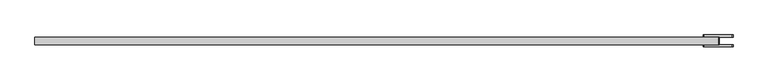
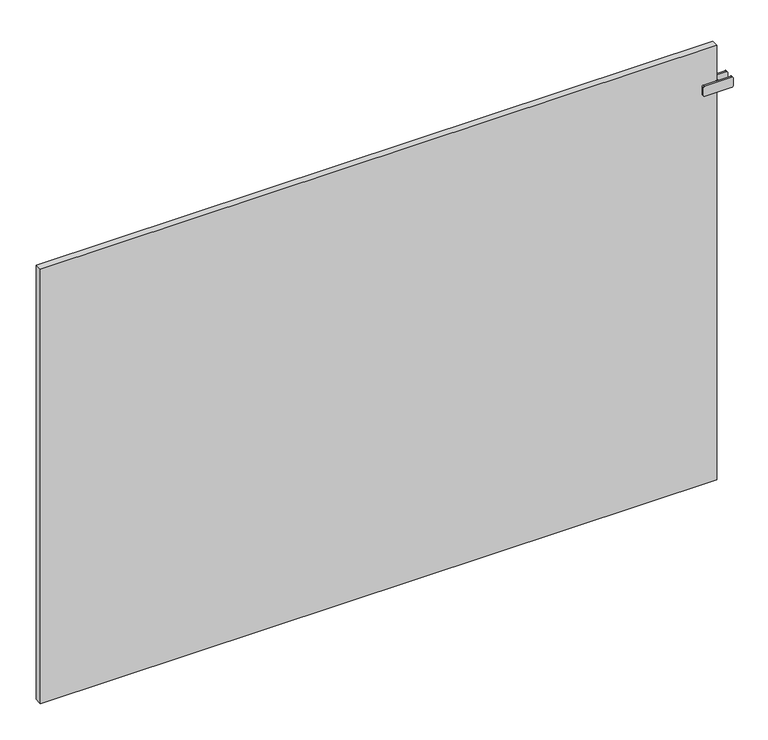
"""IFC4 building model written with IfcOpenShell, lengths in millimetres: plate geometry."""

from ifc_helpers import new_model, si_unit, point, frame, frame_2d, origin, origin_with_axes, place, context, project, spatial, polyline, circle_curve, trimmed, segment, composite_curve, outline, extrude, source, transform, mapped, element, save


def plate_217aa02d(model_context):
    return source(origin(), model_context, "Body", "SweptSolid", [
        extrude(outline(polyline([(797.5000001, -8.75), (792.5000001, -8.75), (792.5000001, 8.75), (797.5000001, 8.75), (797.5000001, -8.75)])), frame((0.0, 0.0, 966.5), z_axis=(0.0, 0.0, 1.0), x_axis=(1.0, 0.0, 0.0)), (0.0, 0.0, 1.0), 25.0),
        extrude(outline(composite_curve([segment(polyline([(966.5, 763.0000001), (966.5, 827.0000001)]), True, "CONTINUOUS"), segment(trimmed(circle_curve(frame_2d((969.5, 827.0000001)), 3.0), [point((966.5, 827.0000001))], [point((969.5, 830.0000001))], False, "CARTESIAN"), True, "CONTINUOUS"), segment(polyline([(969.5, 830.0000001), (988.5, 830.0000001)]), True, "CONTINUOUS"), segment(trimmed(circle_curve(frame_2d((988.5, 827.0000001)), 3.0), [point((988.5, 830.0000001))], [point((991.5, 827.0000001))], False, "CARTESIAN"), True, "CONTINUOUS"), segment(polyline([(991.5, 827.0000001), (991.5, 763.0000001)]), True, "CONTINUOUS"), segment(trimmed(circle_curve(frame_2d((988.5, 763.0000001)), 3.0), [point((991.5, 763.0000001))], [point((988.5, 760.0000001))], False, "CARTESIAN"), True, "CONTINUOUS"), segment(polyline([(988.5, 760.0000001), (969.5, 760.0000001)]), True, "CONTINUOUS"), segment(trimmed(circle_curve(frame_2d((969.5, 763.0000001)), 3.0), [point((969.5, 760.0000001))], [point((966.5, 763.0000001))], False, "CARTESIAN"), True, "CONTINUOUS")], self_intersect=False)), frame((0.0, 8.75, 0.0), z_axis=(0.0, 1.0, 0.0), x_axis=(0.0, 0.0, 1.0)), (0.0, 0.0, 1.0), 5.0),
        extrude(outline(composite_curve([segment(polyline([(966.5, 763.0000001), (966.5, 827.0000001)]), True, "CONTINUOUS"), segment(trimmed(circle_curve(frame_2d((969.5, 827.0000001)), 3.0), [point((966.5, 827.0000001))], [point((969.5, 830.0000001))], False, "CARTESIAN"), True, "CONTINUOUS"), segment(polyline([(969.5, 830.0000001), (988.5, 830.0000001)]), True, "CONTINUOUS"), segment(trimmed(circle_curve(frame_2d((988.5, 827.0000001)), 3.0), [point((988.5, 830.0000001))], [point((991.5, 827.0000001))], False, "CARTESIAN"), True, "CONTINUOUS"), segment(polyline([(991.5, 827.0000001), (991.5, 763.0000001)]), True, "CONTINUOUS"), segment(trimmed(circle_curve(frame_2d((988.5, 763.0000001)), 3.0), [point((991.5, 763.0000001))], [point((988.5, 760.0000001))], False, "CARTESIAN"), True, "CONTINUOUS"), segment(polyline([(988.5, 760.0000001), (969.5, 760.0000001)]), True, "CONTINUOUS"), segment(trimmed(circle_curve(frame_2d((969.5, 763.0000001)), 3.0), [point((969.5, 760.0000001))], [point((966.5, 763.0000001))], False, "CARTESIAN"), True, "CONTINUOUS")], self_intersect=False)), frame((0.0, -13.75, 0.0), z_axis=(0.0, 1.0, 0.0), x_axis=(0.0, 0.0, 1.0)), (0.0, 0.0, 1.0), 5.0),
        extrude(outline(polyline([(795.0000001, 8.75), (795.0000001, -8.75), (-795.0000001, -8.75), (-795.0000001, 8.75), (795.0000001, 8.75)])), origin_with_axes(), (0.0, 0.0, 1.0), 1079.0),
    ])


if __name__ == "__main__":
    model = new_model("IFC4")
    model_context = context("Model", 3, world=origin())
    ifc_project = project(units=[si_unit("LENGTHUNIT", "METRE", prefix="MILLI")], contexts=[model_context])
    site = spatial("IfcSite", under=ifc_project)
    building = spatial("IfcBuilding", under=site)
    placement = place(None, origin())
    plate_shape = plate_217aa02d(model_context)
    element("IfcPlate", 1, at=placement, inside=building, context=model_context, shape_type="MappedRepresentation", body=[
        mapped(plate_shape, transform((0.0, 0.0, 0.0), x_axis=(1.0, 0.0, 0.0), y_axis=(0.0, 1.0, 0.0), z_axis=(0.0, 0.0, 1.0))),
    ])
    save(model, "model.ifc")
